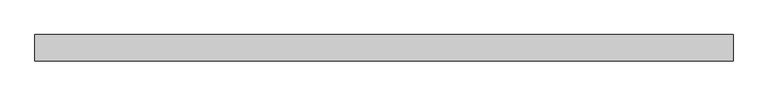
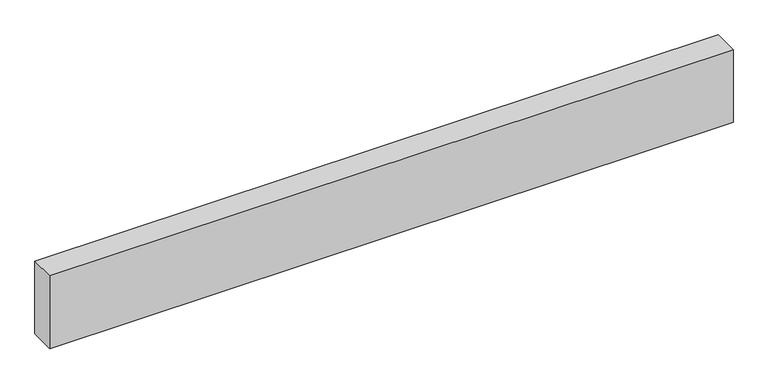
"""IFC4 building model written with IfcOpenShell, lengths in millimetres: proxy geometry."""

from ifc_helpers import new_model, si_unit, origin, origin_with_axes, place, context, project, spatial, polyline, outline, extrude, source, transform, mapped, element, save


def generic_models_72f4328a(model_context):
    return source(origin(), model_context, "Body", "SweptSolid", [
        extrude(outline(polyline([(2664.3824417, 0.0), (2664.3824417, -100.0), (0.0, -100.0), (0.0, 0.0), (2664.3824417, 0.0)])), origin_with_axes(), (0.0, 0.0, 1.0), 300.0),
    ])


if __name__ == "__main__":
    model = new_model("IFC4")
    model_context = context("Model", 3, world=origin())
    ifc_project = project(units=[si_unit("LENGTHUNIT", "METRE", prefix="MILLI")], contexts=[model_context])
    site = spatial("IfcSite", under=ifc_project)
    building = spatial("IfcBuilding", under=site)
    placement = place(None, origin())
    generic_models_shape = generic_models_72f4328a(model_context)
    element("IfcBuildingElementProxy", 1, Name="Generic Models", at=placement, inside=building, context=model_context, shape_type="MappedRepresentation", body=[
        mapped(generic_models_shape, transform((0.0, 0.0, 0.0), x_axis=(1.0, 0.0, 0.0), y_axis=(0.0, 1.0, 0.0), z_axis=(0.0, 0.0, 1.0))),
    ])
    save(model, "model.ifc")
